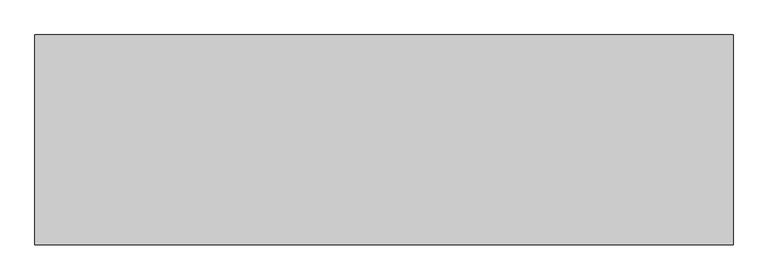
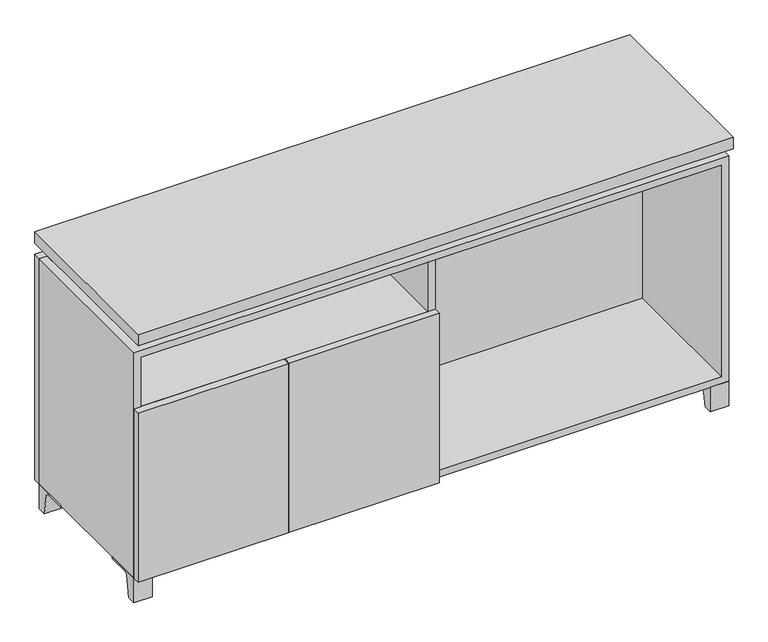
"""IFC4 building model written with IfcOpenShell, lengths in millimetres: furniture geometry."""

from ifc_helpers import new_model, si_unit, point, frame, frame_2d, origin, place, context, project, spatial, polyline, circle_curve, trimmed, segment, composite_curve, outline, extrude, faceted_brep, source, transform, mapped, element, save


def furniture_dacf4489(model_context):
    return source(origin(), model_context, "Body", "SolidModel", [
        extrude(outline(composite_curve([segment(polyline([(44.9791531, 0.0), (22.225, 0.0), (22.225, 66.675), (117.475, 66.675), (117.475, 61.8963321), (60.6744655, 61.8963321)]), True, "CONTINUOUS"), segment(trimmed(circle_curve(frame_2d((60.6744655, 55.5463321)), 6.35), [point((60.6744655, 61.8963321))], [point((54.4108641, 56.5902656))], True, "CARTESIAN"), True, "CONTINUOUS"), segment(polyline([(54.4108641, 56.5902656), (44.9791531, 0.0)]), True, "CONTINUOUS")], self_intersect=False)), frame((-23.7986094, 0.0, 0.0), z_axis=(1.0, 0.0, 0.0), x_axis=(0.0, 1.0, 0.0)), (0.0, 0.0, 1.0), 47.625),
        extrude(outline(composite_curve([segment(polyline([(-123.2958469, 0.0), (-146.05, 0.0), (-146.05, 66.675), (-50.8, 66.675), (-50.8, 61.8963321), (-107.6005345, 61.8963321)]), True, "CONTINUOUS"), segment(trimmed(circle_curve(frame_2d((-107.6005345, 55.5463321)), 6.35), [point((-107.6005345, 61.8963321))], [point((-113.8641359, 56.5902656))], True, "CARTESIAN"), True, "CONTINUOUS"), segment(polyline([(-113.8641359, 56.5902656), (-123.2958469, 0.0)]), True, "CONTINUOUS")], self_intersect=False)), frame((712.8013906, 0.0, 0.0), z_axis=(1.0, 0.0, 0.0), x_axis=(0.0, 1.0, 0.0)), (0.0, 0.0, 1.0), 47.625),
        extrude(outline(composite_curve([segment(polyline([(250.2958469, 0.0), (240.8641359, 56.5902656)]), True, "CONTINUOUS"), segment(trimmed(circle_curve(frame_2d((234.6005345, 55.5463321)), 6.35), [point((240.8641359, 56.5902656))], [point((234.6005345, 61.8963321))], True, "CARTESIAN"), True, "CONTINUOUS"), segment(polyline([(234.6005345, 61.8963321), (177.8, 61.8963321), (177.8, 66.675), (273.05, 66.675), (273.05, 0.0), (250.2958469, 0.0)]), True, "CONTINUOUS")], self_intersect=False)), frame((712.8013906, 0.0, 0.0), z_axis=(1.0, 0.0, 0.0), x_axis=(0.0, 1.0, 0.0)), (0.0, 0.0, 1.0), 47.625),
        extrude(outline(composite_curve([segment(polyline([(-123.2958469, 0.0), (-146.05, 0.0), (-146.05, 66.675), (-50.8, 66.675), (-50.8, 61.8963321), (-107.6005345, 61.8963321)]), True, "CONTINUOUS"), segment(trimmed(circle_curve(frame_2d((-107.6005345, 55.5463321)), 6.35), [point((-107.6005345, 61.8963321))], [point((-113.8641359, 56.5902656))], True, "CARTESIAN"), True, "CONTINUOUS"), segment(polyline([(-113.8641359, 56.5902656), (-123.2958469, 0.0)]), True, "CONTINUOUS")], self_intersect=False)), frame((-760.3986094, 0.0, 0.0), z_axis=(1.0, 0.0, 0.0), x_axis=(0.0, 1.0, 0.0)), (0.0, 0.0, 1.0), 47.625),
        extrude(outline(composite_curve([segment(polyline([(250.2958469, 0.0), (240.8641359, 56.5902656)]), True, "CONTINUOUS"), segment(trimmed(circle_curve(frame_2d((234.6005345, 55.5463321)), 6.35), [point((240.8641359, 56.5902656))], [point((234.6005345, 61.8963321))], True, "CARTESIAN"), True, "CONTINUOUS"), segment(polyline([(234.6005345, 61.8963321), (177.8, 61.8963321), (177.8, 66.675), (273.05, 66.675), (273.05, 0.0), (250.2958469, 0.0)]), True, "CONTINUOUS")], self_intersect=False)), frame((-760.3986094, 0.0, 0.0), z_axis=(1.0, 0.0, 0.0), x_axis=(0.0, 1.0, 0.0)), (0.0, 0.0, 1.0), 47.625),
        faceted_brep([(-760.3986094, -146.05, 66.675), (760.4125, -146.05, 66.675), (760.4125, -146.05, 676.275), (-760.3986094, -146.05, 676.275), (-741.3486094, -146.05, 85.725), (-741.3486094, -146.05, 657.225), (741.3694453, -146.05, 657.225), (741.3486094, -146.05, 85.725), (-760.3986094, 273.05, 66.675), (-760.3986094, 273.05, 676.275), (-741.3486094, 273.05, 676.275), (-741.3486094, 273.05, 85.725), (741.3486094, 273.05, 85.725), (741.3486094, 273.05, 676.275), (760.4125, 273.05, 676.275), (760.4125, 273.05, 66.675), (741.3486094, 247.65, 676.275), (-741.3416641, 247.65, 676.275), (-741.3486094, 247.65, 657.225), (741.3486094, 247.65, 657.225)], [[[0, 1, 2, 3], [4, 5, 6, 7]], [[8, 9, 10, 11, 12, 13, 14, 15]], [[1, 0, 8, 15]], [[2, 1, 15, 14]], [[3, 2, 14, 13, 16, 17, 10, 9]], [[0, 3, 9, 8]], [[11, 10, 17, 18, 5, 4]], [[13, 12, 7, 6, 19, 16]], [[4, 7, 12, 11]], [[6, 5, 18, 19]], [[17, 16, 19, 18]]]),
        extrude(outline(polyline([(760.4263906, -165.1), (-760.3986094, -165.1), (-760.3986094, 292.1), (760.4263906, 292.1), (760.4263906, -165.1)])), frame((0.0, 0.0, 706.4375), z_axis=(0.0, 0.0, 1.0), x_axis=(1.0, 0.0, 0.0)), (0.0, 0.0, 1.0), 30.1625),
        faceted_brep([(7.9513906, -69.85, 706.4375), (7.9513906, -69.85, 676.275), (7.9513906, 53.975, 676.275), (7.9513906, 53.975, 706.4375), (7.9513906, 196.85, 676.275), (7.9513906, 196.85, 706.4375), (7.9513906, 73.025, 706.4375), (7.9513906, 73.025, 676.275), (-7.9236094, 196.85, 706.4375), (-7.9236094, 196.85, 676.275), (-7.9236094, 73.025, 676.275), (-7.9236094, 73.025, 706.4375), (-7.9236094, -69.85, 676.275), (-7.9236094, -69.85, 706.4375), (-7.9236094, 53.975, 706.4375), (-7.9236094, 53.975, 676.275), (-719.0958281, 73.025, 706.4375), (-719.1166641, 247.65, 706.4375), (-734.9916641, 247.65, 706.4375), (-734.9916641, -120.65, 706.4375), (-719.1166641, -120.65, 706.4375), (-719.1166641, 53.975, 706.4375), (719.1236094, 53.975, 706.4375), (719.1236094, -120.65, 706.4375), (734.9986094, -120.65, 706.4375), (734.9986094, 247.65, 706.4375), (719.1236094, 247.65, 706.4375), (719.1236094, 73.025, 706.4375), (-719.0958281, 53.975, 676.275), (-719.1166641, -120.65, 676.275), (-734.9916641, -120.65, 676.275), (-734.9916641, 247.65, 676.275), (-719.1166641, 247.65, 676.275), (-719.1166641, 73.025, 676.275), (719.1236094, 73.025, 676.275), (719.1236094, 247.65, 676.275), (734.9986094, 247.65, 676.275), (734.9986094, -120.65, 676.275), (719.1236094, -120.65, 676.275), (719.1236094, 53.975, 676.275)], [[[0, 1, 2, 3]], [[4, 5, 6, 7]], [[8, 9, 10, 11]], [[12, 13, 14, 15]], [[5, 8, 11, 16, 17, 18, 19, 20, 21, 14, 13, 0, 3, 22, 23, 24, 25, 26, 27, 6]], [[1, 12, 15, 28, 29, 30, 31, 32, 33, 10, 9, 4, 7, 34, 35, 36, 37, 38, 39, 2]], [[5, 4, 9, 8]], [[1, 0, 13, 12]], [[6, 27, 34, 7]], [[22, 3, 2, 39]], [[20, 29, 28, 21]], [[32, 17, 16, 33]], [[18, 31, 30, 19]], [[29, 20, 19, 30]], [[17, 32, 31, 18]], [[26, 35, 34, 27]], [[38, 23, 22, 39]], [[25, 24, 37, 36]], [[23, 38, 37, 24]], [[35, 26, 25, 36]], [[16, 11, 10, 33]], [[14, 21, 28, 15]]]),
        extrude(outline(polyline([(9.5388906, 203.2), (9.5388906, -146.05), (-9.5111094, -146.05), (-9.5111094, 203.2), (9.5388906, 203.2)])), frame((0.0, 0.0, 85.725), z_axis=(0.0, 0.0, 1.0), x_axis=(1.0, 0.0, 0.0)), (0.0, 0.0, 1.0), 571.5),
        extrude(outline(polyline([(760.4263906, 273.05), (-760.3986094, 273.05), (-760.3986094, 292.1), (760.4263906, 292.1), (760.4263906, 273.05)])), frame((0.0, 0.0, 66.675), z_axis=(0.0, 0.0, 1.0), x_axis=(1.0, 0.0, 0.0)), (0.0, 0.0, 1.0), 609.6),
        extrude(outline(polyline([(-741.3416641, 203.2), (-741.3416641, 209.55), (741.3694453, 209.55), (741.3694453, 203.2), (-741.3416641, 203.2)])), frame((0.0, 0.0, 85.725), z_axis=(0.0, 0.0, 1.0), x_axis=(1.0, 0.0, 0.0)), (0.0, 0.0, 1.0), 571.5),
        extrude(outline(polyline([(9.5388906, -165.1), (-373.8423594, -165.1), (-373.8423594, -146.05), (9.5388906, -146.05), (9.5388906, -165.1)])), frame((0.0, 0.0, 66.675), z_axis=(0.0, 0.0, 1.0), x_axis=(1.0, 0.0, 0.0)), (0.0, 0.0, 1.0), 457.2),
        extrude(outline(polyline([(-377.0173594, -165.1), (-760.3986094, -165.1), (-760.3986094, -146.05), (-377.0173594, -146.05), (-377.0173594, -165.1)])), frame((0.0, 0.0, 66.675), z_axis=(0.0, 0.0, 1.0), x_axis=(1.0, 0.0, 0.0)), (0.0, 0.0, 1.0), 457.2),
        extrude(outline(polyline([(-9.5111094, 203.2), (-9.5111094, -146.05), (-741.3486094, -146.05), (-741.3486094, 203.2), (-9.5111094, 203.2)])), frame((0.0, 0.0, 504.825), z_axis=(0.0, 0.0, 1.0), x_axis=(1.0, 0.0, 0.0)), (0.0, 0.0, 1.0), 19.05),
    ])


if __name__ == "__main__":
    model = new_model("IFC4")
    model_context = context("Model", 3, world=origin())
    ifc_project = project(units=[si_unit("LENGTHUNIT", "METRE", prefix="MILLI")], contexts=[model_context])
    site = spatial("IfcSite", under=ifc_project)
    building = spatial("IfcBuilding", under=site)
    placement = place(None, origin())
    furniture_shape = furniture_dacf4489(model_context)
    element("IfcFurniture", 1, at=placement, inside=building, context=model_context, shape_type="MappedRepresentation", body=[
        mapped(furniture_shape, transform((0.0, 0.0, 0.0), x_axis=(1.0, 0.0, 0.0), y_axis=(0.0, 1.0, 0.0), z_axis=(0.0, 0.0, 1.0))),
    ])
    save(model, "model.ifc")
